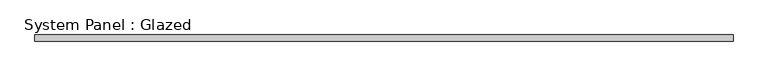
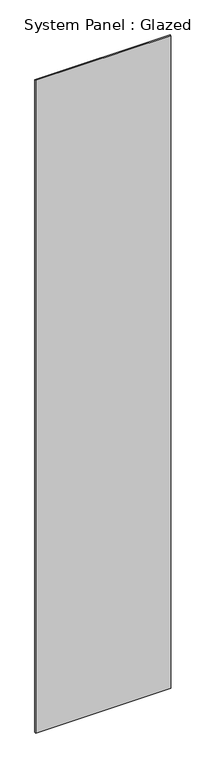
"""IFC4 building model written with IfcOpenShell, lengths in millimetres: plate geometry, System Panel : Glazed."""

from ifc_helpers import new_model, si_unit, origin, origin_with_axes, place, context, project, spatial, polyline, outline, extrude, source, transform, mapped, element, save


def system_panel_glazed_5d4b7e11(model_context):
    return source(origin(), model_context, "Body", "SweptSolid", [
        extrude(outline(polyline([(1375.0000158, -77.5), (-1375.0000158, -77.5), (-1375.0000158, -52.5), (1375.0000158, -52.5), (1375.0000158, -77.5)])), origin_with_axes(), (0.0, 0.0, 1.0), 14020.0),
    ])


if __name__ == "__main__":
    model = new_model("IFC4")
    model_context = context("Model", 3, world=origin())
    ifc_project = project(units=[si_unit("LENGTHUNIT", "METRE", prefix="MILLI")], contexts=[model_context])
    site = spatial("IfcSite", under=ifc_project)
    building = spatial("IfcBuilding", under=site)
    placement = place(None, origin())
    system_panel_glazed_shape = system_panel_glazed_5d4b7e11(model_context)
    element("IfcPlate", 1, ObjectType="System Panel : Glazed", at=placement, inside=building, context=model_context, shape_type="MappedRepresentation", body=[
        mapped(system_panel_glazed_shape, transform((0.0, 0.0, 0.0), x_axis=(1.0, 0.0, 0.0), y_axis=(0.0, 1.0, 0.0), z_axis=(0.0, 0.0, 1.0))),
    ])
    save(model, "model.ifc")
